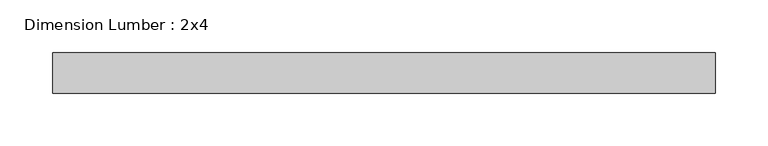
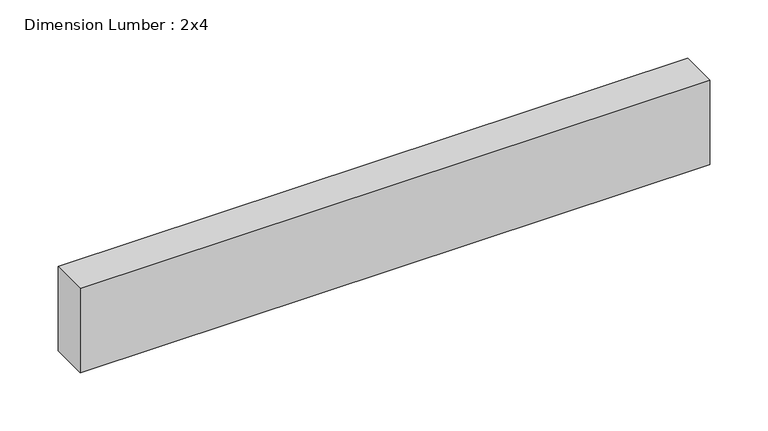
"""IFC4 building model written with IfcOpenShell, lengths in millimetres: beam geometry, Dimension Lumber : 2x4."""

from ifc_helpers import new_model, si_unit, frame, origin, place, context, project, spatial, polyline, outline, extrude, source, transform, mapped, element, save


def dimension_lumber_2x4_fa069099(model_context):
    return source(origin(), model_context, "Body", "SweptSolid", [
        extrude(outline(polyline([(326.0709032, 19.05), (326.0709032, -19.05), (-300.4683977, -19.05), (-300.4683977, 19.05), (326.0709032, 19.05)])), frame((0.0, 0.0, -44.45), z_axis=(0.0, 0.0, 1.0), x_axis=(1.0, 0.0, 0.0)), (0.0, 0.0, 1.0), 88.9),
    ])


if __name__ == "__main__":
    model = new_model("IFC4")
    model_context = context("Model", 3, world=origin())
    ifc_project = project(units=[si_unit("LENGTHUNIT", "METRE", prefix="MILLI")], contexts=[model_context])
    site = spatial("IfcSite", under=ifc_project)
    building = spatial("IfcBuilding", under=site)
    placement = place(None, origin())
    dimension_lumber_2x4_shape = dimension_lumber_2x4_fa069099(model_context)
    element("IfcBeam", 1, ObjectType="Dimension Lumber : 2x4", at=placement, inside=building, context=model_context, shape_type="MappedRepresentation", body=[
        mapped(dimension_lumber_2x4_shape, transform((0.0, 0.0, 0.0), x_axis=(1.0, 0.0, 0.0), y_axis=(0.0, 1.0, 0.0), z_axis=(0.0, 0.0, 1.0))),
    ])
    save(model, "model.ifc")
